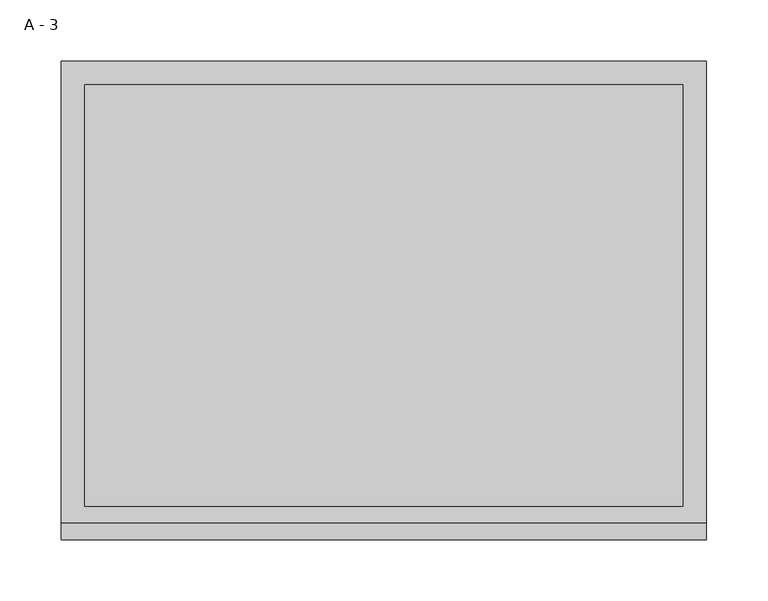
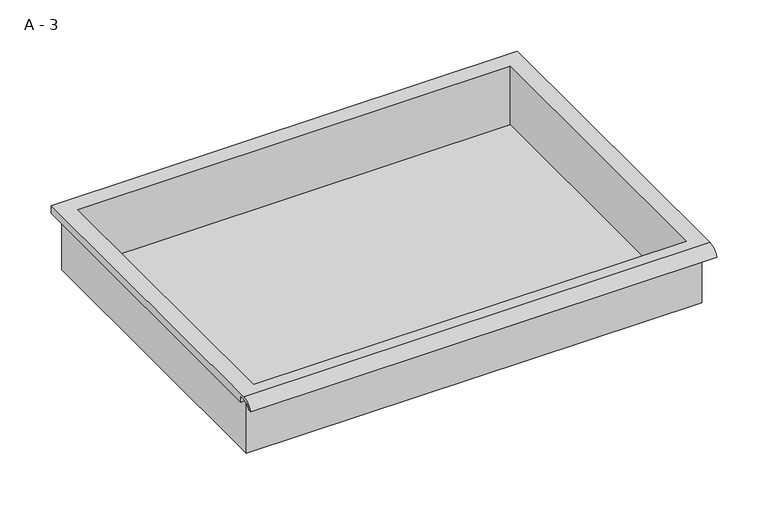
"""IFC4 building model written with IfcOpenShell, lengths in millimetres: furniture geometry, A - 3."""

from ifc_helpers import new_model, si_unit, frame, origin, place, context, project, spatial, polyline, circle_curve, source, transform, mapped, element, save
from ifc_brep_helpers import plane_surface, cylinder_surface, revolved_surface, advanced_brep


def a_3_2a9a152b(model_context):
    return source(origin(), model_context, "Body", "AdvancedBrep", [
        advanced_brep(
        [(-257.1076517, -176.2125, 901.6111), (257.2423483, -176.2125, 901.6111), (257.2423483, -176.2125, 965.1111), (263.5923483, -176.2125, 965.1111), (263.5923483, -176.2125, 971.4182341), (-263.4576517, -176.2125, 971.4182341), (-263.4576517, -176.2125, 965.1111), (-257.1076517, -176.2125, 965.1111), (257.2423483, 185.7375, 901.6111), (-257.1076517, 185.7375, 901.6111), (-257.1076517, 185.7375, 965.1111), (257.2423483, 185.7375, 965.1111), (263.5923483, -181.6070544, 974.6361), (263.5923483, 195.2625, 974.6361), (-263.4576517, 195.2625, 974.6361), (-263.4576517, -181.6070544, 974.6361), (244.5423483, -168.275, 974.6361), (-244.4076517, -168.275, 974.6361), (-244.4076517, 176.2125, 974.6361), (244.5423483, 176.2125, 974.6361), (263.5923483, -195.2625, 965.1111), (263.5923483, -191.8280601, 965.1111), (263.5923483, -180.4714815, 971.4182341), (263.5923483, 195.2625, 965.1111), (-263.4576517, 195.2625, 965.1111), (-263.4576517, -180.4714815, 971.4182341), (-263.4576517, -191.8280601, 965.1111), (-263.4576517, -195.2625, 965.1111), (-244.4076517, -168.275, 904.6372719), (244.5423483, -168.275, 904.6372719), (244.5423483, 176.2125, 904.6372719), (-244.4076517, 176.2125, 904.6372719)],
        [
            (0, 1),
            (1, 2),
            (2, 3),
            (3, 4),
            (4, 5),
            (5, 6),
            (6, 7),
            (7, 0),
            (8, 9),
            (9, 10),
            (10, 11),
            (11, 8),
            (0, 9),
            (8, 1),
            (11, 2),
            (12, 13),
            (13, 14),
            (14, 15),
            (15, 12),
            (16, 17),
            (17, 18),
            (18, 19),
            (19, 16),
            (7, 10),
            (12, 20, circle_curve(frame((263.5923483, -181.6070544, 960.0850859), z_axis=(1.0, 0.0, 0.0), x_axis=(0.0, 1.0, 0.0)), 14.5510141)),
            (20, 21),
            (21, 22, circle_curve(frame((263.5923483, -181.6070544, 960.0850859), z_axis=(-1.0, 0.0, 0.0), x_axis=(0.0, 1.0, 0.0)), 11.3898979)),
            (22, 4),
            (3, 23),
            (23, 13),
            (14, 24),
            (24, 6),
            (5, 25),
            (25, 26, circle_curve(frame((-263.4576517, -181.6070544, 960.0850859), z_axis=(1.0, 0.0, 0.0), x_axis=(0.0, 1.0, 0.0)), 11.3898979)),
            (26, 27),
            (27, 15, circle_curve(frame((-263.4576517, -181.6070544, 960.0850859), z_axis=(-1.0, 0.0, 0.0), x_axis=(0.0, 1.0, 0.0)), 14.5510141)),
            (27, 20),
            (26, 21),
            (25, 22),
            (24, 23),
            (28, 29),
            (29, 30),
            (30, 31),
            (31, 28),
            (28, 17),
            (16, 29),
            (19, 30),
            (18, 31),
        ],
        [
            plane_surface(frame((257.2423483, -176.2125, 901.6111), z_axis=(0.0, -1.0, 0.0), x_axis=(1.0, 0.0, 0.0))),
            plane_surface(frame((257.2423483, 185.7375, 901.6111), z_axis=(0.0, 1.0, 0.0), x_axis=(-1.0, 0.0, 0.0))),
            plane_surface(frame((-257.1076517, -176.2125, 901.6111), z_axis=(0.0, 0.0, -1.0), x_axis=(0.0, 1.0, 0.0))),
            plane_surface(frame((257.2423483, -176.2125, 901.6111), z_axis=(1.0, 0.0, 0.0), x_axis=(0.0, 1.0, 0.0))),
            plane_surface(frame((257.2423483, -176.2125, 974.6361), z_axis=(0.0, 0.0, 1.0), x_axis=(0.0, 1.0, 0.0))),
            plane_surface(frame((-257.1076517, -176.2125, 974.6361), z_axis=(-1.0, 0.0, 0.0), x_axis=(0.0, 1.0, 0.0))),
            plane_surface(frame((263.5923483, 195.2625, 974.6361), z_axis=(1.0, 0.0, 0.0), x_axis=(0.0, -1.0, 0.0))),
            plane_surface(frame((-263.4576517, 195.2625, 974.6361), z_axis=(-1.0, 0.0, 0.0), x_axis=(0.0, 1.0, 0.0))),
            cylinder_surface(frame((-263.4576517, -181.6070544, 960.0850859), z_axis=(1.0, 0.0, 0.0), x_axis=(0.0, 1.0, 0.0)), 14.5510141),
            plane_surface(frame((263.5923483, -195.2625, 965.1111), z_axis=(0.0, -7.0547608219938086e-12, -1.0), x_axis=(-1.0, 0.0, 0.0))),
            revolved_surface(polyline([(-263.4576517, -170.21715650000002, 960.0850859), (263.59234829999997, -170.21715650000002, 960.0850859)]), (-263.4576517, -181.6070544, 960.0850859), (-1.0, 0.0, 0.0)),
            plane_surface(frame((263.5923483, -180.4714815, 971.4182341), z_axis=(0.0, -1.7575373445000364e-11, -1.0), x_axis=(-1.0, 0.0, 0.0))),
            plane_surface(frame((263.5923483, -176.2125, 965.1111), z_axis=(0.0, 0.0, -1.0), x_axis=(-1.0, 0.0, 0.0))),
            plane_surface(frame((263.5923483, 195.2625, 965.1111), z_axis=(0.0, 1.0, 0.0), x_axis=(-1.0, 0.0, 0.0))),
            plane_surface(frame((244.5423483, -168.275, 904.6372719), z_axis=(0.0, 0.0, 1.0), x_axis=(-1.0, 0.0, 0.0))),
            plane_surface(frame((-244.4076517, -168.275, 974.6361), z_axis=(0.0, 1.0, 0.0), x_axis=(0.0, 0.0, -1.0))),
            plane_surface(frame((244.5423483, -168.275, 974.6361), z_axis=(-1.0, 0.0, 0.0), x_axis=(0.0, 0.0, -1.0))),
            plane_surface(frame((244.5423483, 176.2125, 974.6361), z_axis=(0.0, -1.0, 0.0), x_axis=(0.0, 0.0, -1.0))),
            plane_surface(frame((-244.4076517, 176.2125, 974.6361), z_axis=(1.0, 0.0, 0.0), x_axis=(0.0, 0.0, -1.0))),
        ],
        [
            (0, [[1, 2, 3, 4, 5, 6, 7, 8]]),
            (1, [[9, 10, 11, 12]]),
            (2, [[-1, 13, -9, 14]]),
            (3, [[-14, -12, 15, -2]]),
            (4, [[16, 17, 18, 19], [20, 21, 22, 23]]),
            (5, [[-13, -8, 24, -10]]),
            (6, [[-16, 25, 26, 27, 28, -4, 29, 30]]),
            (7, [[31, 32, -6, 33, 34, 35, 36, -18]]),
            (8, [[-25, -19, -36, 37]]),
            (9, [[-26, -37, -35, 38]]),
            (10, [[-27, -38, -34, 39]]),
            (11, [[-28, -39, -33, -5]]),
            (12, [[-29, -3, -15, -11, -24, -7, -32, 40]]),
            (13, [[-30, -40, -31, -17]]),
            (14, [[41, 42, 43, 44]]),
            (15, [[-41, 45, -20, 46]]),
            (16, [[-42, -46, -23, 47]]),
            (17, [[-43, -47, -22, 48]]),
            (18, [[-44, -48, -21, -45]]),
        ],
    ),
    ])


if __name__ == "__main__":
    model = new_model("IFC4")
    model_context = context("Model", 3, world=origin())
    ifc_project = project(units=[si_unit("LENGTHUNIT", "METRE", prefix="MILLI")], contexts=[model_context])
    site = spatial("IfcSite", under=ifc_project)
    building = spatial("IfcBuilding", under=site)
    placement = place(None, origin())
    a_3_shape = a_3_2a9a152b(model_context)
    element("IfcFurniture", 1, ObjectType="A - 3", at=placement, inside=building, context=model_context, shape_type="MappedRepresentation", body=[
        mapped(a_3_shape, transform((0.0, 0.0, 0.0), x_axis=(1.0, 0.0, 0.0), y_axis=(0.0, 1.0, 0.0), z_axis=(0.0, 0.0, 1.0))),
    ])
    save(model, "model.ifc")
